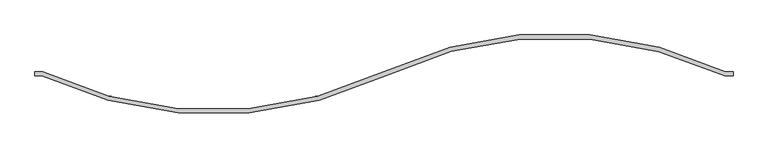
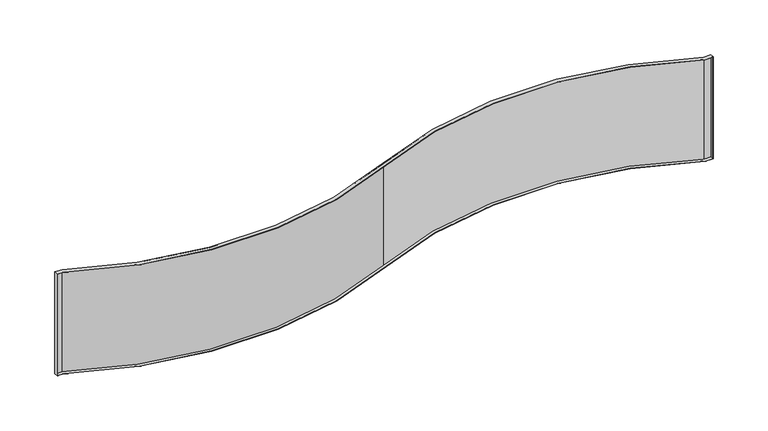
"""IFC4 building model written with IfcOpenShell, lengths in millimetres: plate geometry."""

from ifc_helpers import new_model, si_unit, point, frame, frame_2d, origin, place, context, project, spatial, polyline, circle_curve, trimmed, segment, composite_curve, outline, extrude, source, transform, mapped, element, save
from ifc_brep_helpers import plane_surface, cylinder_surface, revolved_surface, advanced_brep


def plate_d16a13b4(model_context):
    return source(origin(), model_context, "Body", "SolidModel", [
        extrude(outline(composite_curve([segment(polyline([(-909.2, 0.0), (-890.0, 0.0)]), True, "CONTINUOUS"), segment(trimmed(circle_curve(frame_2d((-445.0, 939.1293993)), 1039.2252059), [point((-890.0, 0.0))], [point((0.0, 0.0))], True, "CARTESIAN"), True, "CONTINUOUS"), segment(trimmed(circle_curve(frame_2d((445.0, -939.1293993)), 1039.2252059), [point((0.0, 0.0))], [point((890.0, 0.0))], False, "CARTESIAN"), True, "CONTINUOUS"), segment(polyline([(890.0, 0.0), (909.2, 0.0), (909.2, -1.1835255), (889.6952507, -1.1835255)]), True, "CONTINUOUS"), segment(trimmed(circle_curve(frame_2d((445.0, -939.1293993)), 1038.0252059), [point((889.6952507, -1.1835255))], [point((0.5138443, -1.0844187))], True, "CARTESIAN"), True, "CONTINUOUS"), segment(trimmed(circle_curve(frame_2d((-445.0, 939.1293993)), 1040.4252059), [point((0.5138443, -1.0844187))], [point((-890.2698395, -1.2))], False, "CARTESIAN"), True, "CONTINUOUS"), segment(polyline([(-890.2698395, -1.2), (-909.2, -1.2), (-909.2, 0.0)]), True, "CONTINUOUS")], self_intersect=False)), frame((0.0, 0.0, 0.8), z_axis=(0.0, 0.0, 1.0), x_axis=(1.0, 0.0, 0.0)), (0.0, 0.0, 1.0), 296.9),
        extrude(outline(composite_curve([segment(trimmed(circle_curve(frame_2d((-445.0, 939.1293993)), 1039.2252059), [point((0.0, 0.0))], [point((-890.0, 0.0))], False, "CARTESIAN"), True, "CONTINUOUS"), segment(polyline([(-890.0, 0.0), (-909.2, 0.0), (-909.2, 0.8), (-889.8200161, 0.8)]), True, "CONTINUOUS"), segment(trimmed(circle_curve(frame_2d((-445.0, 939.1293993)), 1038.4252059), [point((-889.8200161, 0.8))], [point((-0.3425629, 0.7229458))], True, "CARTESIAN"), True, "CONTINUOUS"), segment(trimmed(circle_curve(frame_2d((445.0, -939.1293993)), 1040.0252059), [point((-0.3425629, 0.7229458))], [point((890.1799111, 0.8))], False, "CARTESIAN"), True, "CONTINUOUS"), segment(polyline([(890.1799111, 0.8), (909.2, 0.8), (909.2, 0.0), (890.0, 0.0)]), True, "CONTINUOUS"), segment(trimmed(circle_curve(frame_2d((445.0, -939.1293993)), 1039.2252059), [point((890.0, 0.0))], [point((0.0, 0.0))], True, "CARTESIAN"), True, "CONTINUOUS")], self_intersect=False)), frame((0.0, 0.0, 10.0), z_axis=(0.0, 0.0, 1.0), x_axis=(1.0, 0.0, 0.0)), (0.0, 0.0, 1.0), 278.5),
        advanced_brep(
        [(-909.2, -10.0, 0.8), (-909.2, 0.0, 0.8), (-909.2, 0.0, 10.0), (-909.2, 0.8, 10.0), (-909.2, 0.8, 288.5), (-909.2, 0.0, 288.5), (-909.2, 0.0, 297.7), (-909.2, -10.0, 297.7), (-910.0, -10.0, 298.5), (-910.0, 0.8, 298.5), (-910.0, 0.8, 0.0), (-910.0, -10.0, 0.0), (-892.2436876, -10.0, 0.0), (-892.2436876, -10.0, 0.8), (-892.2436876, -10.0, 297.7), (-892.2436876, -10.0, 298.5), (-889.8200161, 0.8, 0.0), (-0.3425629, 0.7229458, 0.0), (890.1799111, 0.8, 0.0), (910.0, 0.8, 0.0), (910.0, -10.0, 0.0), (887.7449422, -10.0, 0.0), (4.2820362, -9.0368228, 0.0), (-889.8200161, 0.8, 298.5), (-889.8200161, 0.8, 288.5), (-889.8200161, 0.8, 10.0), (4.2820362, -9.0368228, 298.5), (887.7449422, -10.0, 298.5), (910.0, -10.0, 298.5), (910.0, 0.8, 298.5), (890.1799111, 0.8, 298.5), (-0.3425629, 0.7229458, 298.5), (4.2820362, -9.0368228, 0.8), (887.7449422, -10.0, 0.8), (909.2, -10.0, 0.8), (909.2, 0.0, 0.8), (890.0, 0.0, 0.8), (0.0, 0.0, 0.8), (-890.0, 0.0, 0.8), (-0.3425629, 0.7229458, 288.5), (890.1799111, 0.8, 288.5), (909.2, 0.8, 288.5), (909.2, 0.0, 288.5), (890.0, 0.0, 288.5), (0.0, 0.0, 288.5), (-890.0, 0.0, 288.5), (0.0, 0.0, 297.7), (-890.0, 0.0, 297.7), (890.0, 0.0, 297.7), (890.1799111, 0.8, 10.0), (909.2, 0.8, 10.0), (-890.0, 0.0, 10.0), (0.0, 0.0, 10.0), (890.0, 0.0, 10.0), (909.2, 0.0, 10.0), (-0.3425629, 0.7229458, 10.0), (909.2, 0.0, 297.7), (887.7449422, -10.0, 297.7), (909.2, -10.0, 297.7), (4.2820362, -9.0368228, 297.7)],
        [
            (0, 1),
            (1, 2),
            (2, 3),
            (3, 4),
            (4, 5),
            (5, 6),
            (6, 7),
            (7, 0),
            (8, 9),
            (9, 10),
            (10, 11),
            (11, 8),
            (11, 12),
            (12, 13),
            (13, 0),
            (7, 14),
            (14, 15),
            (15, 8),
            (10, 16),
            (16, 17, circle_curve(frame((-445.0, 939.1293993, 0.0), z_axis=(0.0, 0.0, 1.0), x_axis=(1.0, 0.0, 0.0)), 1038.4252059)),
            (17, 18, circle_curve(frame((445.0, -939.1293993, 0.0), z_axis=(0.0, 0.0, -1.0), x_axis=(1.0, 0.0, 0.0)), 1040.0252059)),
            (18, 19),
            (19, 20),
            (20, 21),
            (21, 22, circle_curve(frame((445.0, -939.1293993, 0.0), z_axis=(0.0, 0.0, 1.0), x_axis=(1.0, 0.0, 0.0)), 1029.2252059)),
            (22, 12, circle_curve(frame((-445.0, 939.1293993, 0.0), z_axis=(0.0, 0.0, -1.0), x_axis=(1.0, 0.0, 0.0)), 1049.2252059)),
            (9, 23),
            (23, 24),
            (24, 4),
            (3, 25),
            (25, 16),
            (15, 26, circle_curve(frame((-445.0, 939.1293993, 298.5), z_axis=(0.0, 0.0, 1.0), x_axis=(1.0, 0.0, 0.0)), 1049.2252059)),
            (26, 27, circle_curve(frame((445.0, -939.1293993, 298.5), z_axis=(0.0, 0.0, -1.0), x_axis=(1.0, 0.0, 0.0)), 1029.2252059)),
            (27, 28),
            (28, 29),
            (29, 30),
            (30, 31, circle_curve(frame((445.0, -939.1293993, 298.5), z_axis=(0.0, 0.0, 1.0), x_axis=(1.0, 0.0, 0.0)), 1040.0252059)),
            (31, 23, circle_curve(frame((-445.0, 939.1293993, 298.5), z_axis=(0.0, 0.0, -1.0), x_axis=(1.0, 0.0, 0.0)), 1038.4252059)),
            (13, 32, circle_curve(frame((-445.0, 939.1293993, 0.8), z_axis=(0.0, 0.0, 1.0), x_axis=(1.0, 0.0, 0.0)), 1049.2252059)),
            (32, 33, circle_curve(frame((445.0, -939.1293993, 0.8), z_axis=(0.0, 0.0, -1.0), x_axis=(1.0, 0.0, 0.0)), 1029.2252059)),
            (33, 34),
            (34, 35),
            (35, 36),
            (36, 37, circle_curve(frame((445.0, -939.1293993, 0.8), z_axis=(0.0, 0.0, 1.0), x_axis=(1.0, 0.0, 0.0)), 1039.2252059)),
            (37, 38, circle_curve(frame((-445.0, 939.1293993, 0.8), z_axis=(0.0, 0.0, -1.0), x_axis=(1.0, 0.0, 0.0)), 1039.2252059)),
            (38, 1),
            (39, 40, circle_curve(frame((445.0, -939.1293993, 288.5), z_axis=(0.0, 0.0, -1.0), x_axis=(1.0, 0.0, 0.0)), 1040.0252059)),
            (40, 41),
            (41, 42),
            (42, 43),
            (43, 44, circle_curve(frame((445.0, -939.1293993, 288.5), z_axis=(0.0, 0.0, 1.0), x_axis=(1.0, 0.0, 0.0)), 1039.2252059)),
            (44, 45, circle_curve(frame((-445.0, 939.1293993, 288.5), z_axis=(0.0, 0.0, -1.0), x_axis=(1.0, 0.0, 0.0)), 1039.2252059)),
            (45, 5),
            (24, 39, circle_curve(frame((-445.0, 939.1293993, 288.5), z_axis=(0.0, 0.0, 1.0), x_axis=(1.0, 0.0, 0.0)), 1038.4252059)),
            (31, 39),
            (44, 46),
            (46, 47, circle_curve(frame((-445.0, 939.1293993, 297.7), z_axis=(0.0, 0.0, -1.0), x_axis=(1.0, 0.0, 0.0)), 1039.2252059)),
            (47, 45),
            (43, 48),
            (48, 46, circle_curve(frame((445.0, -939.1293993, 297.7), z_axis=(0.0, 0.0, 1.0), x_axis=(1.0, 0.0, 0.0)), 1039.2252059)),
            (40, 30),
            (29, 19),
            (18, 49),
            (49, 50),
            (50, 41),
            (2, 51),
            (51, 52, circle_curve(frame((-445.0, 939.1293993, 10.0), z_axis=(0.0, 0.0, 1.0), x_axis=(1.0, 0.0, 0.0)), 1039.2252059)),
            (52, 53, circle_curve(frame((445.0, -939.1293993, 10.0), z_axis=(0.0, 0.0, -1.0), x_axis=(1.0, 0.0, 0.0)), 1039.2252059)),
            (53, 54),
            (54, 50),
            (49, 55, circle_curve(frame((445.0, -939.1293993, 10.0), z_axis=(0.0, 0.0, 1.0), x_axis=(1.0, 0.0, 0.0)), 1040.0252059)),
            (55, 25, circle_curve(frame((-445.0, 939.1293993, 10.0), z_axis=(0.0, 0.0, -1.0), x_axis=(1.0, 0.0, 0.0)), 1038.4252059)),
            (38, 51),
            (37, 52),
            (36, 53),
            (35, 54),
            (17, 55),
            (47, 6),
            (42, 56),
            (56, 48),
            (22, 32),
            (21, 33),
            (20, 28),
            (27, 57),
            (57, 58),
            (58, 34),
            (58, 56),
            (59, 14, circle_curve(frame((-445.0, 939.1293993, 297.7), z_axis=(0.0, 0.0, -1.0), x_axis=(1.0, 0.0, 0.0)), 1049.2252059)),
            (57, 59, circle_curve(frame((445.0, -939.1293993, 297.7), z_axis=(0.0, 0.0, 1.0), x_axis=(1.0, 0.0, 0.0)), 1029.2252059)),
            (26, 59),
        ],
        [
            plane_surface(frame((-909.2, -10.0, 298.5), z_axis=(1.0, 0.0, 0.0), x_axis=(0.0, 0.0, -1.0))),
            plane_surface(frame((-910.0, -10.0, 298.5), z_axis=(-1.0, 0.0, 0.0), x_axis=(0.0, 0.0, 1.0))),
            plane_surface(frame((-909.2, -10.0, 298.5), z_axis=(0.0, -1.0, 0.0), x_axis=(-1.0, 0.0, 0.0))),
            plane_surface(frame((-909.2, -10.0, 0.0), z_axis=(0.0, 0.0, -1.0), x_axis=(-1.0, 0.0, 0.0))),
            plane_surface(frame((-909.2, 0.8, 0.0), z_axis=(0.0, 1.0, 0.0), x_axis=(-1.0, 0.0, 0.0))),
            plane_surface(frame((-909.2, 0.8, 298.5), z_axis=(0.0, 0.0, 1.0), x_axis=(-1.0, 0.0, 0.0))),
            plane_surface(frame((594.2252059, 939.1293993, 0.8), z_axis=(0.0, 0.0, 1.0), x_axis=(0.0, -1.0, 0.0))),
            plane_surface(frame((593.4252059, 939.1293993, 288.5), z_axis=(0.0, 0.0, -1.0), x_axis=(0.0, 1.0, 0.0))),
            revolved_surface(polyline([(593.4252059, 939.1293993, 288.5), (593.4252059, 939.1293993, 298.5)]), (-445.0, 939.1293993, 288.5), (0.0, 0.0, -1.0)),
            cylinder_surface(frame((-445.0, 939.1293993, 288.5), z_axis=(0.0, 0.0, 1.0), x_axis=(1.0, 0.0, 0.0)), 1039.2252059),
            revolved_surface(polyline([(1484.2252059, -939.1293993, 288.5), (1484.2252059, -939.1293993, 297.7)]), (445.0, -939.1293993, 288.5), (0.0, 0.0, -1.0)),
            plane_surface(frame((909.2, 0.8, 298.5), z_axis=(0.0, 1.0, 0.0), x_axis=(0.0, 0.0, -1.0))),
            cylinder_surface(frame((445.0, -939.1293993, 288.5), z_axis=(0.0, 0.0, 1.0), x_axis=(1.0, 0.0, 0.0)), 1040.0252059),
            plane_surface(frame((-909.2, 0.8, 10.0), z_axis=(0.0, 0.0, 1.0), x_axis=(0.0, -1.0, 0.0))),
            plane_surface(frame((-909.2, 0.0, 10.0), z_axis=(0.0, -1.0, 0.0), x_axis=(0.0, 0.0, -1.0))),
            cylinder_surface(frame((-445.0, 939.1293993, 0.0), z_axis=(0.0, 0.0, 1.0), x_axis=(1.0, 0.0, 0.0)), 1039.2252059),
            revolved_surface(polyline([(1484.2252059, -939.1293993, 0.8), (1484.2252059, -939.1293993, 10.0)]), (445.0, -939.1293993, 0.0), (0.0, 0.0, -1.0)),
            plane_surface(frame((890.0, 0.0, 10.0), z_axis=(0.0, -1.0, 0.0), x_axis=(0.0, 0.0, -1.0))),
            cylinder_surface(frame((445.0, -939.1293993, 0.0), z_axis=(0.0, 0.0, 1.0), x_axis=(1.0, 0.0, 0.0)), 1040.0252059),
            revolved_surface(polyline([(593.4252059, 939.1293993, 0.0), (593.4252059, 939.1293993, 10.0)]), (-445.0, 939.1293993, 0.0), (0.0, 0.0, -1.0)),
            plane_surface(frame((-909.2, 0.0, 298.5), z_axis=(0.0, -1.0, 0.0), x_axis=(0.0, 0.0, -1.0))),
            plane_surface(frame((890.0, 0.0, 298.5), z_axis=(0.0, -1.0, 0.0), x_axis=(0.0, 0.0, -1.0))),
            cylinder_surface(frame((-445.0, 939.1293993, 0.0), z_axis=(0.0, 0.0, 1.0), x_axis=(1.0, 0.0, 0.0)), 1049.2252059),
            revolved_surface(polyline([(1474.2252059, -939.1293993, 0.0), (1474.2252059, -939.1293993, 0.8)]), (445.0, -939.1293993, 0.0), (0.0, 0.0, -1.0)),
            plane_surface(frame((887.7449422, -10.0, 0.8), z_axis=(0.0, -1.0, 0.0), x_axis=(0.0, 0.0, -1.0))),
            plane_surface(frame((909.2, 0.8, 298.5), z_axis=(-1.0, 0.0, 0.0), x_axis=(0.0, 0.0, -1.0))),
            plane_surface(frame((910.0, -10.0, 298.5), z_axis=(1.0, 0.0, 0.0), x_axis=(0.0, 0.0, -1.0))),
            plane_surface(frame((1474.2252059, -939.1293993, 297.7), z_axis=(0.0, 0.0, -1.0), x_axis=(0.0, 1.0, 0.0))),
            revolved_surface(polyline([(1474.2252059, -939.1293993, 297.7), (1474.2252059, -939.1293993, 298.5)]), (445.0, -939.1293993, 297.7), (0.0, 0.0, -1.0)),
            cylinder_surface(frame((-445.0, 939.1293993, 297.7), z_axis=(0.0, 0.0, 1.0), x_axis=(1.0, 0.0, 0.0)), 1049.2252059),
        ],
        [
            (0, [[1, 2, 3, 4, 5, 6, 7, 8]]),
            (1, [[9, 10, 11, 12]]),
            (2, [[-12, 13, 14, 15, -8, 16, 17, 18]]),
            (3, [[-11, 19, 20, 21, 22, 23, 24, 25, 26, -13]]),
            (4, [[-10, 27, 28, 29, -4, 30, 31, -19]]),
            (5, [[-9, -18, 32, 33, 34, 35, 36, 37, 38, -27]]),
            (6, [[-15, 39, 40, 41, 42, 43, 44, 45, 46, -1]]),
            (7, [[47, 48, 49, 50, 51, 52, 53, -5, -29, 54]]),
            (8, [[-38, 55, -54, -28]]),
            (9, [[-52, 56, 57, 58]]),
            (10, [[-51, 59, 60, -56]]),
            (11, [[-48, 61, -36, 62, -22, 63, 64, 65]]),
            (12, [[-37, -61, -47, -55]]),
            (13, [[66, 67, 68, 69, 70, -64, 71, 72, -30, -3]]),
            (14, [[-66, -2, -46, 73]]),
            (15, [[-67, -73, -45, 74]]),
            (16, [[-68, -74, -44, 75]]),
            (17, [[-69, -75, -43, 76]]),
            (18, [[-71, -63, -21, 77]]),
            (19, [[-72, -77, -20, -31]]),
            (20, [[-53, -58, 78, -6]]),
            (21, [[-50, 79, 80, -59]]),
            (22, [[-39, -14, -26, 81]]),
            (23, [[-40, -81, -25, 82]]),
            (24, [[-41, -82, -24, 83, -34, 84, 85, 86]]),
            (25, [[-42, -86, 87, -79, -49, -65, -70, -76]]),
            (26, [[-35, -83, -23, -62]]),
            (27, [[88, -16, -7, -78, -57, -60, -80, -87, -85, 89]]),
            (28, [[-33, 90, -89, -84]]),
            (29, [[-32, -17, -88, -90]]),
        ],
    ),
    ])


if __name__ == "__main__":
    model = new_model("IFC4")
    model_context = context("Model", 3, world=origin())
    ifc_project = project(units=[si_unit("LENGTHUNIT", "METRE", prefix="MILLI")], contexts=[model_context])
    site = spatial("IfcSite", under=ifc_project)
    building = spatial("IfcBuilding", under=site)
    placement = place(None, origin())
    plate_shape = plate_d16a13b4(model_context)
    element("IfcPlate", 1, at=placement, inside=building, context=model_context, shape_type="MappedRepresentation", body=[
        mapped(plate_shape, transform((0.0, 0.0, 0.0), x_axis=(1.0, 0.0, 0.0), y_axis=(0.0, 1.0, 0.0), z_axis=(0.0, 0.0, 1.0))),
    ])
    save(model, "model.ifc")
